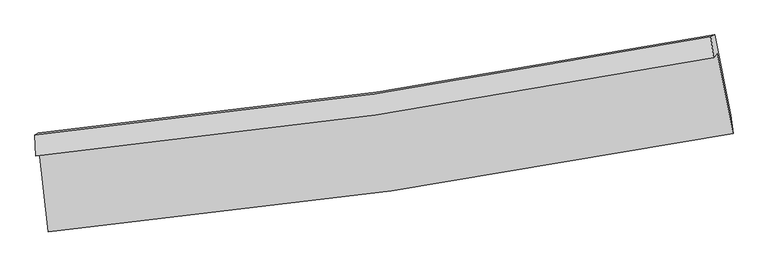
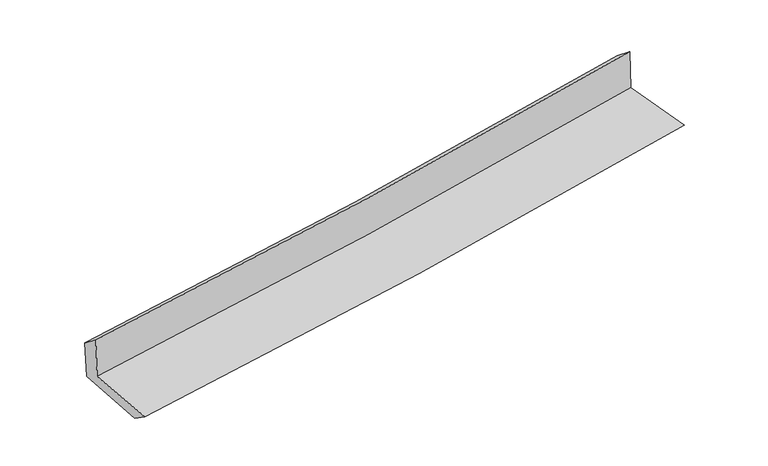
"""IFC4 building model written with IfcOpenShell, lengths in millimetres: proxy geometry."""

from ifc_helpers import new_model, si_unit, frame, origin, place, context, project, spatial, source, transform, mapped, element, save
from ifc_brep_helpers import plane_surface, spline_curve, spline_surface, advanced_brep


def generic_models_662fa21b(model_context):
    return source(origin(), model_context, "Body", "AdvancedBrep", [
        advanced_brep(
        [(-2834.1114841, -1884.5386475, 1655.3656569), (-2759.8463429, -2549.8574993, 1621.4233697), (2913.7002574, -1730.2883633, 2110.9765108), (2780.9331964, -1069.1867109, 2140.0832465), (-2864.5595867, -1918.8100735, 2057.9745432), (2751.7283778, -1102.7496663, 2537.4955391), (-2872.0657788, -1744.0544205, 1925.3075047), (2730.2287419, -929.6687585, 2397.970784), (-2843.1881251, -1727.9877962, 1564.2722548), (2760.2429949, -913.1664789, 2028.8465613), (-2767.3255605, -2396.2187159, 1515.1700967), (2895.0082584, -1577.4357802, 1984.485412)],
        [
            (0, 1),
            (1, 2, spline_curve(3, [(-2759.8463429, -2549.8574993, 1621.4233697), (-1809.56894821, -2459.797073076, 1712.610599454), (-862.23850725, -2346.586990723, 1798.954114454), (1028.958880538, -2073.516585625, 1962.163458026), (1972.810639979, -1913.536955823, 2039.004323358), (2913.7002574, -1730.2883633, 2110.9765108)], [4, 2, 4], [0.0, 9.380966357700299, 18.78607506328347])),
            (2, 3),
            (3, 0, spline_curve(3, [(2780.9331964, -1069.1867109, 2140.0832465), (1849.520494749, -1249.868126647, 2069.006978741), (915.288802313, -1408.213480234, 1993.017496306), (-956.407211817, -1679.882935702, 1831.419775047), (-1893.857079412, -1793.321560944, 1745.836727422), (-2834.1114841, -1884.5386475, 1655.3656569)], [4, 2, 4], [0.0, 9.40510870558317, 18.78607506328347])),
            (4, 0),
            (3, 5),
            (5, 4, spline_curve(3, [(2751.7283778, -1102.7496663, 2537.4955391), (1820.238584838, -1283.362325692, 2465.525816869), (885.864522829, -1441.732536256, 2389.524344562), (-986.246253913, -1713.638628773, 2229.663340901), (-1923.968179985, -1827.288553831, 2145.824481126), (-2864.5595867, -1918.8100735, 2057.9745432)], [4, 2, 4], [0.0, 9.35747738059473, 18.690934680050546])),
            (6, 4),
            (5, 7),
            (7, 6, spline_curve(3, [(2730.2287419, -929.6687585, 2397.970784), (1801.161853526, -1109.595104306, 2325.285406084), (869.166806433, -1267.482678225, 2249.499512068), (-998.279714243, -1538.831566478, 2091.929188598), (-1933.716173656, -1652.40587989, 2010.160656051), (-2872.0657788, -1744.0544205, 1925.3075047)], [4, 2, 4], [0.0, 9.34612550889966, 18.668260076231693])),
            (8, 6),
            (7, 9),
            (9, 8, spline_curve(3, [(2760.2429949, -913.1664789, 2028.8465613), (1831.204927259, -1093.048027363, 1954.79264853), (899.129311988, -1250.949629135, 1878.999180801), (-968.696635989, -1522.444037357, 1724.132159598), (-1904.431393627, -1636.14954109, 1645.067524889), (-2843.1881251, -1727.9877962, 1564.2722548)], [4, 2, 4], [0.0, 9.334475872328479, 18.64499070700513])),
            (10, 8),
            (9, 11),
            (11, 10, spline_curve(3, [(2895.0082584, -1577.4357802, 1984.485412), (1956.462630027, -1760.080484584, 1909.501808006), (1014.718160492, -1919.692872638, 1832.847991901), (-872.742846898, -2192.502424738, 1676.400989963), (-1818.442984175, -2305.817681591, 1596.616367342), (-2767.3255605, -2396.2187159, 1515.1700967)], [4, 2, 4], [0.0, 9.383504674274294, 18.742922456913576])),
            (1, 10),
            (11, 2),
        ],
        [
            spline_surface(3, 3, [[(-2834.1114841, -1884.5386475, 1655.3656569), (-1893.857079412, -1793.321560891, 1745.836727463), (-956.407211735, -1679.882935667, 1831.419775), (915.288802231, -1408.213480269, 1993.017496353), (1849.52049469, -1249.868126643, 2069.006978665), (2780.9331964, -1069.1867109, 2140.0832465)], [(-2809.356437035, -2106.311598102, 1644.051561193), (-1865.761035634, -2015.480064973, 1734.761351522), (-925.017643576, -1902.117620698, 1820.597888193), (953.178828352, -1629.981182008, 1982.732816927), (1890.617209732, -1471.091069722, 2059.006093603), (2825.188883372, -1289.55392837, 2130.381001287)], [(-2784.601389965, -2328.084548698, 1632.737465407), (-1837.66499185, -2237.638569049, 1723.685975502), (-893.62807544, -2124.35230578, 1809.776001298), (991.068854449, -1851.748883797, 1972.448137414), (1931.713924858, -1692.31401279, 2049.005208479), (2869.444570428, -1509.92114583, 2120.678756013)], [(-2759.8463429, -2549.8574993, 1621.4233697), (-1809.568948072, -2459.797073132, 1712.610599561), (-862.238507281, -2346.586990812, 1798.954114491), (1028.958880569, -2073.516585536, 1962.163457988), (1972.8106399, -1913.536955869, 2039.004323417), (2913.7002574, -1730.2883633, 2110.9765108)]], [4, 4], [4, 2, 4], [0.0, 2.2139350429958586], [0.0, 9.380966357700299, 18.78607506328347]),
            spline_surface(3, 3, [[(-2864.5595867, -1918.8100735, 2057.9745432), (-1923.968179933, -1827.288553705, 2145.82448102), (-986.24625388, -1713.638628633, 2229.663340766), (885.864522795, -1441.732536397, 2389.524344697), (1820.238584863, -1283.362325729, 2465.525816895), (2751.7283778, -1102.7496663, 2537.4955391)], [(-2854.410219152, -1907.386264856, 1923.771581102), (-1913.931146412, -1815.96622279, 2012.495229837), (-976.299906512, -1702.386730976, 2096.915485501), (895.672615927, -1430.559517687, 2257.35539524), (1829.99922148, -1272.197592712, 2333.352870819), (2761.463317341, -1091.562014512, 2405.0247749)], [(-2844.260851648, -1895.962456144, 1789.568618998), (-1903.894112934, -1804.643891806, 1879.165978646), (-966.353559103, -1691.134833323, 1964.167630265), (905.4807091, -1419.38649898, 2125.186445811), (1839.759858073, -1261.03285966, 2201.179924741), (2771.198256859, -1080.374362688, 2272.5540107)], [(-2834.1114841, -1884.5386475, 1655.3656569), (-1893.857079412, -1793.321560891, 1745.836727463), (-956.407211735, -1679.882935667, 1831.419775), (915.288802231, -1408.213480269, 1993.017496353), (1849.52049469, -1249.868126643, 2069.006978665), (2780.9331964, -1069.1867109, 2140.0832465)]], [4, 4], [4, 2, 4], [0.0, 1.3119862606825399], [0.0, 9.333457299455816, 18.690934680050546]),
            spline_surface(3, 3, [[(-2872.0657788, -1744.0544205, 1925.3075047), (-1933.716173778, -1652.405879866, 2010.160656065), (-998.279714109, -1538.831566424, 2091.929188483), (869.166806299, -1267.48267828, 2249.499512183), (1801.161853556, -1109.595104379, 2325.285406159), (2730.2287419, -929.6687585, 2397.970784)], [(-2869.56371478, -1802.306304828, 1969.529850866), (-1930.46684251, -1710.700104474, 2055.381931049), (-994.268560704, -1597.100587169, 2137.840572579), (874.732711792, -1325.565964328, 2296.174456356), (1807.520764014, -1167.517511489, 2372.032209728), (2737.395287223, -987.362394426, 2444.479035691)], [(-2867.06165072, -1860.558189172, 2013.752197034), (-1927.217511202, -1768.994329097, 2100.603206036), (-990.257407284, -1655.369607887, 2183.75195667), (880.298617301, -1383.649250349, 2342.849400524), (1813.879674404, -1225.43991862, 2418.779013325), (2744.561832477, -1045.056030374, 2490.987287409)], [(-2864.5595867, -1918.8100735, 2057.9745432), (-1923.968179933, -1827.288553705, 2145.82448102), (-986.24625388, -1713.638628633, 2229.663340766), (885.864522795, -1441.732536397, 2389.524344697), (1820.238584863, -1283.362325729, 2465.525816895), (2751.7283778, -1102.7496663, 2537.4955391)]], [4, 4], [4, 2, 4], [0.0, 0.7332864714792034], [0.0, 9.322134567332032, 18.668260076231693]),
            spline_surface(3, 3, [[(-2843.1881251, -1727.9877962, 1564.2722548), (-1904.431393741, -1636.149541222, 1645.06752486), (-968.696635856, -1522.444037342, 1724.132159513), (899.129311855, -1250.94962915, 1878.999180887), (1831.204927329, -1093.048027252, 1954.792648389), (2760.2429949, -913.1664789, 2028.8465613)], [(-2852.814009686, -1733.343337643, 1684.617338097), (-1914.192987106, -1641.56832078, 1766.765235258), (-978.557661919, -1527.906547044, 1846.731169151), (889.141810024, -1256.460645535, 2002.4992913), (1821.190569384, -1098.563719636, 2078.290234323), (2750.238243879, -918.667238775, 2151.887968878)], [(-2862.439894214, -1738.698879057, 1804.962421403), (-1923.954580413, -1646.987100309, 1888.462945667), (-988.418688046, -1533.369056722, 1969.330178846), (879.15430813, -1261.971661896, 2125.99940177), (1811.176211501, -1104.079411995, 2201.787820225), (2740.233492921, -924.167998625, 2274.929376422)], [(-2872.0657788, -1744.0544205, 1925.3075047), (-1933.716173778, -1652.405879866, 2010.160656065), (-998.279714109, -1538.831566424, 2091.929188483), (869.166806299, -1267.48267828, 2249.499512183), (1801.161853556, -1109.595104379, 2325.285406159), (2730.2287419, -929.6687585, 2397.970784)]], [4, 4], [4, 2, 4], [0.0, 1.216261394315733], [0.0, 9.310514834676653, 18.64499070700513]),
            spline_surface(3, 3, [[(-2767.3255605, -2396.2187159, 1515.1700967), (-1818.442984048, -2305.817681562, 1596.616367335), (-872.742847054, -2192.502424625, 1676.400989885), (1014.718160648, -1919.692872751, 1832.847991979), (1956.462629922, -1760.080484483, 1909.501807863), (2895.0082584, -1577.4357802, 1984.485412)], [(-2792.613082004, -2173.475075989, 1531.537482713), (-1847.105787249, -2082.594968104, 1612.766753156), (-904.727443321, -1969.149628858, 1692.311379756), (976.188544384, -1696.778458211, 1848.231721609), (1914.710062393, -1537.736332081, 1924.59875469), (2850.086503901, -1356.012679775, 1999.272461752)], [(-2817.900603596, -1950.731436111, 1547.904868787), (-1875.768590539, -1859.37225468, 1628.917139039), (-936.71203959, -1745.79683311, 1708.221769643), (937.658928119, -1473.864043691, 1863.615451256), (1872.957494859, -1315.392179654, 1939.695701561), (2805.164749399, -1134.589579325, 2014.059511548)], [(-2843.1881251, -1727.9877962, 1564.2722548), (-1904.431393741, -1636.149541222, 1645.06752486), (-968.696635856, -1522.444037342, 1724.132159513), (899.129311855, -1250.94962915, 1878.999180887), (1831.204927329, -1093.048027252, 1954.792648389), (2760.2429949, -913.1664789, 2028.8465613)]], [4, 4], [4, 2, 4], [0.0, 2.228778102297097], [0.0, 9.359417782639282, 18.742922456913576]),
            spline_surface(3, 3, [[(-2759.8463429, -2549.8574993, 1621.4233697), (-1809.568948072, -2459.797073132, 1712.610599561), (-862.238507281, -2346.586990812, 1798.954114491), (1028.958880569, -2073.516585536, 1962.163457988), (1972.8106399, -1913.536955869, 2039.004323417), (2913.7002574, -1730.2883633, 2110.9765108)], [(-2762.339415443, -2498.644571482, 1586.00561203), (-1812.526960073, -2408.470609258, 1673.945855482), (-865.739953883, -2295.225468757, 1758.103072959), (1024.211973918, -2022.242014615, 1919.058302654), (1967.361303258, -1862.384798715, 1995.836818224), (2907.469591084, -1679.337502241, 2068.812811192)], [(-2764.832487957, -2447.431643718, 1550.58785437), (-1815.484972046, -2357.144145436, 1635.281111414), (-869.241400452, -2243.86394668, 1717.252031418), (1019.465067299, -1970.967443672, 1875.953147312), (1961.911966565, -1811.232641637, 1952.669313056), (2901.238924716, -1628.386641259, 2026.649111608)], [(-2767.3255605, -2396.2187159, 1515.1700967), (-1818.442984048, -2305.817681562, 1596.616367335), (-872.742847054, -2192.502424625, 1676.400989885), (1014.718160648, -1919.692872751, 1832.847991979), (1956.462629922, -1760.080484483, 1909.501807863), (2895.0082584, -1577.4357802, 1984.485412)]], [4, 4], [4, 2, 4], [0.0, 0.6538394009835514], [0.0, 9.418516072629174, 18.86127112905762]),
            plane_surface(frame((2805.3069711, -1220.4159597, 2199.9763423), z_axis=(0.977356008900226, 0.1924018528495627, 0.08807246383902692), x_axis=(-0.08096424838902824, -0.04451533955836855, 0.9957224387482704))),
            plane_surface(frame((-2823.5161464, -2036.9111922, 1723.2522376), z_axis=(-0.9907803456522877, -0.1063099230860078, -0.08397920529857832), x_axis=(-0.11079210050349805, 0.992552790064221, 0.05063664090116129))),
        ],
        [
            (0, [[1, 2, 3, 4]]),
            (1, [[5, -4, 6, 7]]),
            (2, [[8, -7, 9, 10]]),
            (3, [[11, -10, 12, 13]]),
            (4, [[14, -13, 15, 16]]),
            (5, [[17, -16, 18, -2]]),
            (6, [[-12, -9, -6, -3, -18, -15]]),
            (7, [[-1, -5, -8, -11, -14, -17]]),
        ],
    ),
    ])


if __name__ == "__main__":
    model = new_model("IFC4")
    model_context = context("Model", 3, world=origin())
    ifc_project = project(units=[si_unit("LENGTHUNIT", "METRE", prefix="MILLI")], contexts=[model_context])
    site = spatial("IfcSite", under=ifc_project)
    building = spatial("IfcBuilding", under=site)
    placement = place(None, origin())
    generic_models_shape = generic_models_662fa21b(model_context)
    element("IfcBuildingElementProxy", 1, Name="Generic Models", at=placement, inside=building, context=model_context, shape_type="MappedRepresentation", body=[
        mapped(generic_models_shape, transform((0.0, 0.0, 0.0), x_axis=(1.0, 0.0, 0.0), y_axis=(0.0, 1.0, 0.0), z_axis=(0.0, 0.0, 1.0))),
    ])
    save(model, "model.ifc")
